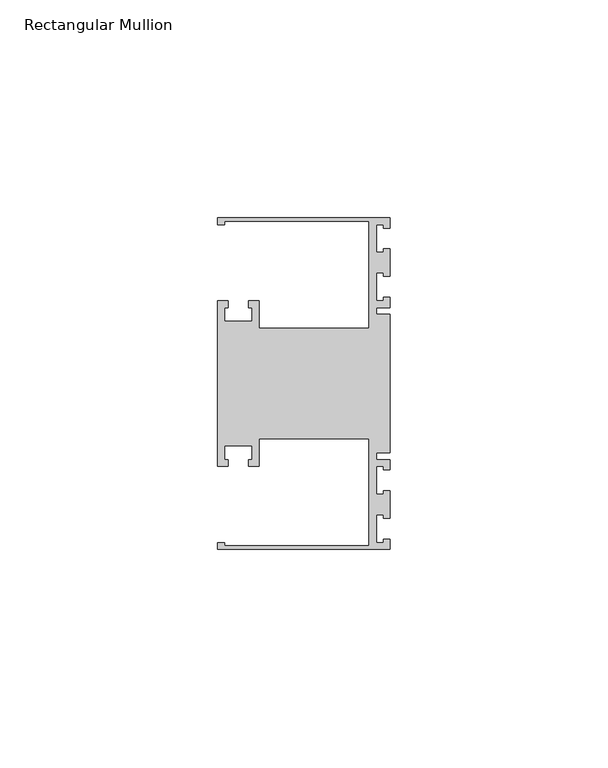
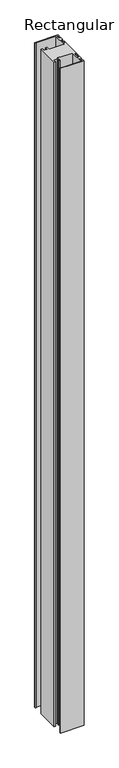
"""IFC4 building model written with IfcOpenShell, lengths in millimetres: member geometry, Rectangular Mullion."""

from ifc_helpers import new_model, si_unit, frame, origin, place, context, project, spatial, polyline, outline, extrude, source, transform, mapped, element, save


def rectangular_mullion_2e6cd2be(model_context):
    return source(origin(), model_context, "Body", "SweptSolid", [
        extrude(outline(polyline([(0.0, 38.1), (0.0, 35.71875), (-1.4999946, 35.71875), (-1.4999946, 36.5125), (-3.175, 36.5125), (-3.175, 30.1625), (-1.4999946, 30.1625), (-1.4999946, 30.95625), (0.0, 30.95625), (0.0, 24.60625), (-1.4999946, 24.60625), (-1.4999946, 25.4), (-3.175, 25.4), (-3.175, 19.05), (-1.4999946, 19.05), (-1.4999946, 19.84375), (0.0, 19.84375), (0.0, 17.4625), (-3.175, 17.4625), (-3.175, 15.875), (0.0, 15.875), (0.0, -15.875), (-3.175, -15.875), (-3.175, -17.4625), (0.0, -17.4625), (0.0, -19.84375), (-1.4999946, -19.84375), (-1.4999946, -19.05), (-3.175, -19.05), (-3.175, -25.4), (-1.4999946, -25.4), (-1.4999946, -24.60625), (0.0, -24.60625), (0.0, -30.95625), (-1.4999946, -30.95625), (-1.4999946, -30.1625), (-3.175, -30.1625), (-3.175, -36.5125), (-1.4999946, -36.5125), (-1.4999946, -35.71875), (0.0, -35.71875), (0.0, -38.1), (-39.6875, -38.1), (-39.6875, -36.5125), (-38.1, -36.5125), (-38.1, -37.30625), (-4.8585733, -37.30625), (-4.8585733, -12.6999969), (-30.1625, -12.6999969), (-30.1625, -19.05), (-32.54375, -19.05), (-32.54375, -17.4625), (-31.75, -17.4625), (-31.75, -14.2875), (-38.1, -14.2875), (-38.1, -17.4625), (-37.30625, -17.4625), (-37.30625, -19.05), (-39.6875, -19.05), (-39.6875, 19.05), (-37.30625, 19.05), (-37.30625, 17.4625), (-38.1, 17.4625), (-38.1, 14.2875), (-31.75, 14.2875), (-31.75, 17.4625), (-32.54375, 17.4625), (-32.54375, 19.05), (-30.1625, 19.05), (-30.1625, 12.6999969), (-4.8585733, 12.6999969), (-4.8585733, 37.30625), (-38.1, 37.30625), (-38.1, 36.5125), (-39.6875, 36.5125), (-39.6875, 38.1), (0.0, 38.1)])), frame((0.0, 0.0, -1190.625), z_axis=(0.0, 0.0, 1.0), x_axis=(1.0, 0.0, 0.0)), (0.0, 0.0, 1.0), 1190.625),
    ])


if __name__ == "__main__":
    model = new_model("IFC4")
    model_context = context("Model", 3, world=origin())
    ifc_project = project(units=[si_unit("LENGTHUNIT", "METRE", prefix="MILLI")], contexts=[model_context])
    site = spatial("IfcSite", under=ifc_project)
    building = spatial("IfcBuilding", under=site)
    placement = place(None, origin())
    rectangular_mullion_shape = rectangular_mullion_2e6cd2be(model_context)
    element("IfcMember", 1, ObjectType="Rectangular Mullion", at=placement, inside=building, context=model_context, shape_type="MappedRepresentation", body=[
        mapped(rectangular_mullion_shape, transform((0.0, 0.0, 0.0), x_axis=(1.0, 0.0, 0.0), y_axis=(0.0, 1.0, 0.0), z_axis=(0.0, 0.0, 1.0))),
    ])
    save(model, "model.ifc")
